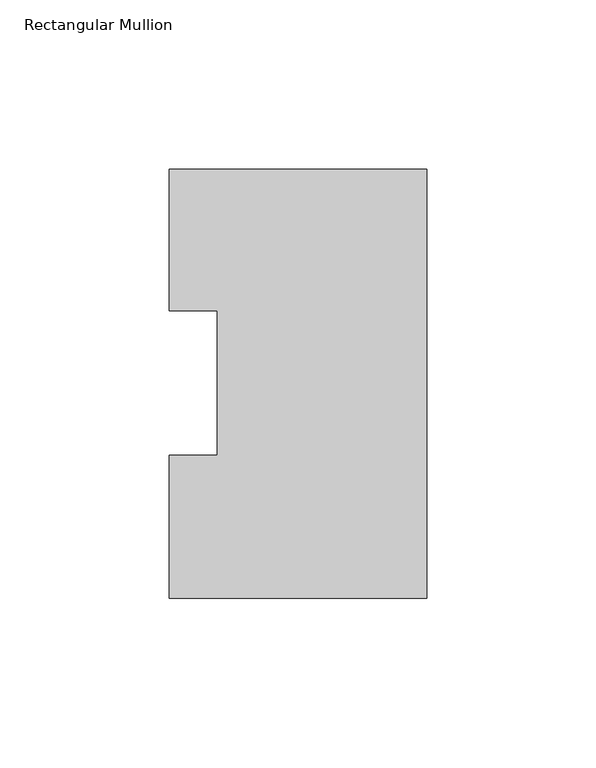
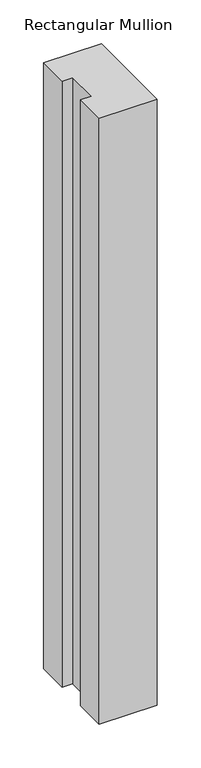
"""IFC4 building model written with IfcOpenShell, lengths in millimetres: member geometry, Rectangular Mullion."""

from ifc_helpers import new_model, si_unit, frame, origin, place, context, project, spatial, polyline, outline, extrude, source, transform, mapped, element, save


def rectangular_mullion_19898e26(model_context):
    return source(origin(), model_context, "Body", "SweptSolid", [
        extrude(outline(polyline([(0.0, 126.9888875), (0.0, -0.0111125), (-76.1989149, -0.0111125), (-76.1989149, 42.2798875), (-61.9139549, 42.2798875), (-61.9139549, 85.1296875), (-76.1989149, 85.1296875), (-76.1989149, 126.9888875), (0.0, 126.9888875)])), frame((0.0, 0.0, -844.5510851), z_axis=(0.0, 0.0, 1.0), x_axis=(1.0, 0.0, 0.0)), (0.0, 0.0, 1.0), 844.5510851),
    ])


if __name__ == "__main__":
    model = new_model("IFC4")
    model_context = context("Model", 3, world=origin())
    ifc_project = project(units=[si_unit("LENGTHUNIT", "METRE", prefix="MILLI")], contexts=[model_context])
    site = spatial("IfcSite", under=ifc_project)
    building = spatial("IfcBuilding", under=site)
    placement = place(None, origin())
    rectangular_mullion_shape = rectangular_mullion_19898e26(model_context)
    element("IfcMember", 1, ObjectType="Rectangular Mullion", at=placement, inside=building, context=model_context, shape_type="MappedRepresentation", body=[
        mapped(rectangular_mullion_shape, transform((0.0, 0.0, 0.0), x_axis=(1.0, 0.0, 0.0), y_axis=(0.0, 1.0, 0.0), z_axis=(0.0, 0.0, 1.0))),
    ])
    save(model, "model.ifc")
